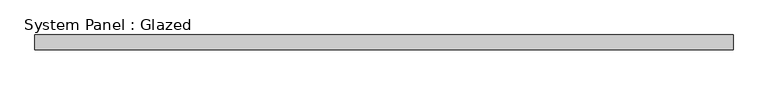
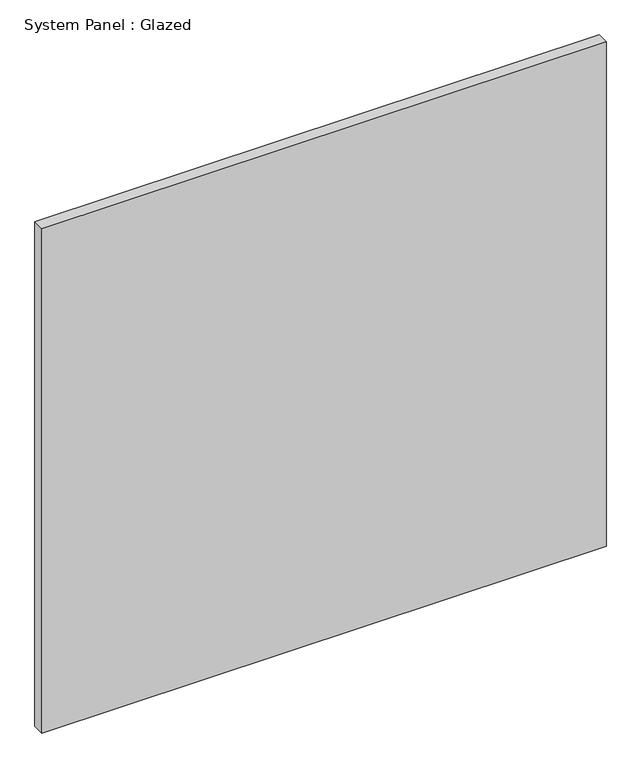
"""IFC4 building model written with IfcOpenShell, lengths in millimetres: plate geometry, System Panel : Glazed."""

from ifc_helpers import new_model, si_unit, origin, origin_with_axes, place, context, project, spatial, polyline, outline, extrude, source, transform, mapped, element, save


def system_panel_glazed_aeabaca9(model_context):
    return source(origin(), model_context, "Body", "SweptSolid", [
        extrude(outline(polyline([(594.51875, 19.05), (-594.51875, 19.05), (-594.51875, 44.45), (594.51875, 44.45), (594.51875, 19.05)])), origin_with_axes(), (0.0, 0.0, 1.0), 1123.95),
    ])


if __name__ == "__main__":
    model = new_model("IFC4")
    model_context = context("Model", 3, world=origin())
    ifc_project = project(units=[si_unit("LENGTHUNIT", "METRE", prefix="MILLI")], contexts=[model_context])
    site = spatial("IfcSite", under=ifc_project)
    building = spatial("IfcBuilding", under=site)
    placement = place(None, origin())
    system_panel_glazed_shape = system_panel_glazed_aeabaca9(model_context)
    element("IfcPlate", 1, ObjectType="System Panel : Glazed", at=placement, inside=building, context=model_context, shape_type="MappedRepresentation", body=[
        mapped(system_panel_glazed_shape, transform((0.0, 0.0, 0.0), x_axis=(1.0, 0.0, 0.0), y_axis=(0.0, 1.0, 0.0), z_axis=(0.0, 0.0, 1.0))),
    ])
    save(model, "model.ifc")
